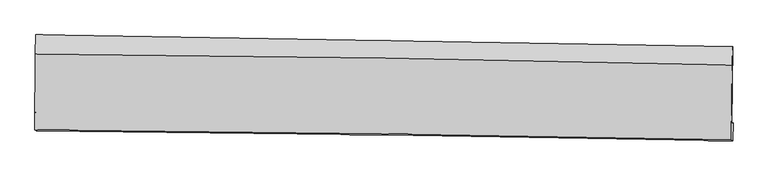
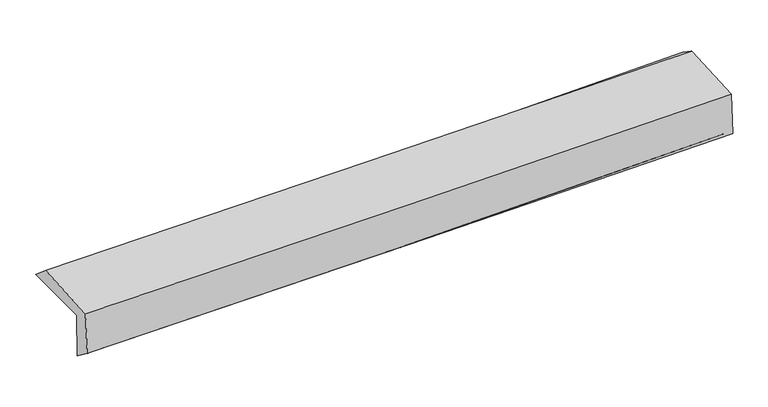
"""IFC4 building model written with IfcOpenShell, lengths in millimetres: proxy geometry."""

from ifc_helpers import new_model, si_unit, frame, origin, place, context, project, spatial, source, transform, mapped, element, save
from ifc_brep_helpers import plane_surface, spline_curve, spline_surface, advanced_brep


def generic_models_61ebcd79(model_context):
    return source(origin(), model_context, "Body", "AdvancedBrep", [
        advanced_brep(
        [(-3016.2462024, -1750.4815622, 1975.2451222), (-3011.7362421, -1080.37777, 1973.8734113), (3003.5569214, -1183.7661711, 2137.3470066), (2995.8762583, -1848.5578261, 2118.005581), (-3006.1315163, -1744.9687128, 1564.2725951), (3005.61487, -1843.2499501, 1722.3134308), (-3010.4071179, -1911.8389521, 1693.17332), (3001.1519973, -1999.4182075, 1826.5184873), (-3019.941267, -1902.9214029, 2084.4026902), (2991.712975, -1990.5165649, 2217.0847382), (-3016.3294182, -1248.3190189, 2115.4329872), (2998.9244583, -1340.9782786, 2247.9654239)],
        [
            (0, 1),
            (1, 2, spline_curve(3, [(-3011.7362421, -1080.37777, 1973.8734113), (-2009.313435116, -1095.800548318, 1980.919440069), (-1007.12031728, -1112.122078468, 1998.051399954), (997.977941577, -1146.582776448, 2052.519001413), (2000.88254451, -1164.724046345, 2089.878240294), (3003.5569214, -1183.7661711, 2137.3470066)], [4, 2, 4], [0.0, 9.864622311604577, 19.740777400924777])),
            (2, 3),
            (3, 0, spline_curve(3, [(2995.8762583, -1848.5578261, 2118.005581), (1994.024177325, -1828.643309292, 2067.111642303), (991.795015926, -1810.509293764, 2029.768929765), (-1012.246684281, -1777.821361683, 1982.213740496), (-2014.058343427, -1763.263289461, 1971.96963322), (-3016.2462024, -1750.4815622, 1975.2451222)], [4, 2, 4], [0.0, 9.8761550893202, 19.740777400924777])),
            (4, 0),
            (3, 5),
            (5, 4, spline_curve(3, [(3005.61487, -1843.2499501, 1722.3134308), (2003.617596287, -1823.414568388, 1677.318860673), (1001.347256906, -1805.302996118, 1641.649256373), (-1002.56884224, -1772.546607322, 1588.990743505), (-2004.213965329, -1757.897766992, 1571.980068909), (-3006.1315163, -1744.9687128, 1564.2725951)], [4, 2, 4], [0.0, 9.873019720092923, 19.734510323765136])),
            (6, 4),
            (5, 7),
            (7, 6, spline_curve(3, [(3001.1519973, -1999.4182075, 1826.5184873), (1999.028475017, -1978.262959345, 1793.958241853), (996.71067293, -1960.384713499, 1766.56254509), (-1007.142819238, -1931.199277352, 1722.126210902), (-2008.678054994, -1919.884438101, 1705.073517998), (-3010.4071179, -1911.8389521, 1693.17332)], [4, 2, 4], [0.0, 9.871759388355692, 19.731991132029993])),
            (8, 6),
            (7, 9),
            (9, 8, spline_curve(3, [(2991.712975, -1990.5165649, 2217.0847382), (1989.571308926, -1969.358701224, 2184.630799938), (987.236503632, -1951.477821466, 2157.343550202), (-1016.648694618, -1922.287082682, 2113.128260853), (-2018.198636476, -1910.969575384, 2096.188160858), (-3019.941267, -1902.9214029, 2084.4026902)], [4, 2, 4], [0.0, 9.870999390975895, 19.73047202474946])),
            (10, 8),
            (9, 11),
            (11, 10, spline_curve(3, [(2998.9244583, -1340.9782786, 2247.9654239), (1996.089822024, -1317.296021277, 2215.613468147), (993.108414068, -1297.73118038, 2188.389662781), (-1011.976554335, -1266.85437119, 2144.224153391), (-2014.079771415, -1255.532792023, 2127.270480113), (-3016.3294182, -1248.3190189, 2115.4329872)], [4, 2, 4], [0.0, 9.8740568971923, 19.736583466811084])),
            (1, 10),
            (11, 2),
        ],
        [
            spline_surface(3, 3, [[(-3016.2462024, -1750.4815622, 1975.2451222), (-2014.058343299, -1763.263289325, 1971.96963312), (-1012.246684358, -1777.82136169, 1982.213740393), (991.795016003, -1810.509293757, 2029.768929868), (1994.024177338, -1828.643309367, 2067.111642185), (2995.8762583, -1848.5578261, 2118.005581)], [(-3014.742882319, -1527.11363149, 1974.787885233), (-2012.476707252, -1540.775708965, 1974.95290214), (-1010.537895251, -1555.921600665, 1987.492960227), (993.85599117, -1589.200454599, 2037.352287084), (1996.310299762, -1607.336888343, 2074.700508195), (2998.436479334, -1626.960607796, 2124.452722856)], [(-3013.239562181, -1303.74570071, 1974.330648267), (-2010.895071147, -1318.288128535, 1977.936171162), (-1008.829106229, -1334.021839648, 1992.772180039), (995.916966251, -1367.89161545, 2044.935644279), (1998.596422186, -1386.030467231, 2082.289374237), (3000.996700366, -1405.363389404, 2130.899864744)], [(-3011.7362421, -1080.37777, 1973.8734113), (-2009.3134351, -1095.800548174, 1980.919440182), (-1007.120317121, -1112.122078624, 1998.051399873), (997.977941419, -1146.582776292, 2052.519001495), (2000.88254461, -1164.724046206, 2089.878240247), (3003.5569214, -1183.7661711, 2137.3470066)]], [4, 4], [4, 2, 4], [0.0, 2.18213889556828], [0.0, 9.864622311604577, 19.740777400924777]),
            spline_surface(3, 3, [[(-3006.1315163, -1744.9687128, 1564.2725951), (-2004.213965349, -1757.897767098, 1571.980069073), (-1002.568842402, -1772.546607299, 1588.990743436), (1001.347257069, -1805.302996141, 1641.649256442), (2003.617596213, -1823.414568415, 1677.318860669), (3005.61487, -1843.2499501, 1722.3134308)], [(-3009.503078322, -1746.80632924, 1701.263437467), (-2007.495424655, -1759.686274481, 1705.309923756), (-1005.794789723, -1774.304858755, 1720.065075768), (998.163176711, -1807.038428671, 1771.02248093), (2000.419789906, -1825.157482056, 1807.249787859), (3002.368666085, -1845.019242091, 1854.210814218)], [(-3012.874640378, -1748.64394576, 1838.254279833), (-2010.776883993, -1761.474781943, 1838.639778437), (-1009.020737037, -1776.063110235, 1851.139408061), (994.979096361, -1808.773861226, 1900.39570538), (1997.221983644, -1826.900395726, 1937.180714996), (2999.122462215, -1846.788534109, 1986.108197582)], [(-3016.2462024, -1750.4815622, 1975.2451222), (-2014.058343299, -1763.263289325, 1971.96963312), (-1012.246684358, -1777.82136169, 1982.213740393), (991.795016003, -1810.509293757, 2029.768929868), (1994.024177338, -1828.643309367, 2067.111642185), (2995.8762583, -1848.5578261, 2118.005581)]], [4, 4], [4, 2, 4], [0.0, 1.2822237406908943], [0.0, 9.861490603672213, 19.734510323765136]),
            spline_surface(3, 3, [[(-3010.4071179, -1911.8389521, 1693.17332), (-2008.678055145, -1919.884437938, 1705.073518154), (-1007.142819098, -1931.199277304, 1722.126210786), (996.710672789, -1960.384713547, 1766.562545205), (1999.028475113, -1978.26295929, 1793.958241725), (3001.1519973, -1999.4182075, 1826.5184873)], [(-3008.981917368, -1856.215539027, 1650.206411696), (-2007.190025214, -1865.888881018, 1660.709035123), (-1005.618160217, -1878.315053995, 1677.74772165), (998.256200864, -1908.690807771, 1724.924782265), (2000.558182135, -1926.646828991, 1755.07844805), (3002.639621522, -1947.362121693, 1791.783468477)], [(-3007.556716832, -1800.592125873, 1607.239503404), (-2005.70199528, -1811.893324018, 1616.344552104), (-1004.093501283, -1825.430830608, 1633.369232572), (999.801728993, -1856.996901917, 1683.287019383), (2002.087889191, -1875.030698713, 1716.198654344), (3004.127245778, -1895.306035907, 1757.048449623)], [(-3006.1315163, -1744.9687128, 1564.2725951), (-2004.213965349, -1757.897767098, 1571.980069073), (-1002.568842402, -1772.546607299, 1588.990743436), (1001.347257069, -1805.302996141, 1641.649256442), (2003.617596213, -1823.414568415, 1677.318860669), (3005.61487, -1843.2499501, 1722.3134308)]], [4, 4], [4, 2, 4], [0.0, 0.666534910755761], [0.0, 9.860231743674301, 19.731991132029993]),
            spline_surface(3, 3, [[(-3019.941267, -1902.9214029, 2084.4026902), (-2018.198636469, -1910.969575366, 2096.188160743), (-1016.64869456, -1922.287082845, 2113.128260696), (987.236503574, -1951.477821303, 2157.343550359), (1989.571309016, -1969.35870119, 2184.630799781), (2991.712975, -1990.5165649, 2217.0847382)], [(-3016.76321731, -1905.893919278, 1953.992900128), (-2015.025109371, -1913.941196202, 1965.816613209), (-1013.480069402, -1925.257814317, 1982.794244065), (990.394559983, -1954.446785369, 2027.083215313), (1992.723697727, -1972.326787231, 2054.406613752), (2994.859315779, -1993.483779108, 2086.89598789)], [(-3013.58516759, -1908.866435722, 1823.583110072), (-2011.851582243, -1916.912817102, 1835.445065689), (-1010.311444256, -1928.228545832, 1852.460227418), (993.55261638, -1957.41574948, 1896.822880251), (1995.876086401, -1975.294873249, 1924.182427754), (2998.005656521, -1996.450993292, 1956.70723761)], [(-3010.4071179, -1911.8389521, 1693.17332), (-2008.678055145, -1919.884437938, 1705.073518154), (-1007.142819098, -1931.199277304, 1722.126210786), (996.710672789, -1960.384713547, 1766.562545205), (1999.028475113, -1978.26295929, 1793.958241725), (3001.1519973, -1999.4182075, 1826.5184873)]], [4, 4], [4, 2, 4], [0.0, 1.2831629718526678], [0.0, 9.859472633773565, 19.73047202474946]),
            spline_surface(3, 3, [[(-3016.3294182, -1248.3190189, 2115.4329872), (-2014.079771408, -1255.532791934, 2127.270480205), (-1011.976554173, -1266.854371098, 2144.224153481), (993.108413906, -1297.731180471, 2188.389662692), (1996.089822179, -1317.296021208, 2215.613468303), (2998.9244583, -1340.9782786, 2247.9654239)], [(-3017.533367789, -1466.519813585, 2105.089554895), (-2015.452726417, -1474.011719763, 2116.909707079), (-1013.533934312, -1485.331941674, 2133.858855892), (991.151110453, -1515.646727409, 2178.040958588), (1993.916984464, -1534.65024787, 2205.28591213), (2996.520630539, -1557.491040701, 2237.671862001)], [(-3018.737317411, -1684.720608215, 2094.746122505), (-2016.82568146, -1692.490647537, 2106.548933869), (-1015.091314422, -1703.809512269, 2123.493558285), (989.193807028, -1733.562274365, 2167.692254464), (1991.744146731, -1752.004474528, 2194.958355954), (2994.116802761, -1774.003802799, 2227.378300099)], [(-3019.941267, -1902.9214029, 2084.4026902), (-2018.198636469, -1910.969575366, 2096.188160743), (-1016.64869456, -1922.287082845, 2113.128260696), (987.236503574, -1951.477821303, 2157.343550359), (1989.571309016, -1969.35870119, 2184.630799781), (2991.712975, -1990.5165649, 2217.0847382)]], [4, 4], [4, 2, 4], [0.0, 2.150088257793409], [0.0, 9.862526569618783, 19.736583466811084]),
            spline_surface(3, 3, [[(-3011.7362421, -1080.37777, 1973.8734113), (-2009.3134351, -1095.800548174, 1980.919440182), (-1007.120317121, -1112.122078624, 1998.051399873), (997.977941419, -1146.582776292, 2052.519001495), (2000.88254461, -1164.724046206, 2089.878240247), (3003.5569214, -1183.7661711, 2137.3470066)], [(-3013.267300791, -1136.35818628, 2021.05993658), (-2010.90221386, -1149.044629408, 2029.70312017), (-1008.739062808, -1163.699509454, 2046.775651063), (996.354765578, -1196.965577691, 2097.809221882), (1999.284970473, -1215.581371185, 2131.789982924), (3002.01276704, -1236.170206911, 2174.219812359)], [(-3014.798359509, -1192.33860262, 2068.24646192), (-2012.490992647, -1202.288710701, 2078.486800217), (-1010.357808487, -1215.276940267, 2095.49990229), (994.731589746, -1247.348379072, 2143.099442305), (1997.687396316, -1266.438696229, 2173.701725626), (3000.46861266, -1288.574242789, 2211.092618141)], [(-3016.3294182, -1248.3190189, 2115.4329872), (-2014.079771408, -1255.532791934, 2127.270480205), (-1011.976554173, -1266.854371098, 2144.224153481), (993.108413906, -1297.731180471, 2188.389662692), (1996.089822179, -1317.296021208, 2215.613468303), (2998.9244583, -1340.9782786, 2247.9654239)]], [4, 4], [4, 2, 4], [0.0, 0.6826921051475545], [0.0, 9.866417356723085, 19.74436958975773]),
            plane_surface(frame((2999.4729134, -1701.0811664, 2044.8724446), z_axis=(0.9996261681607882, -0.01226016617512022, 0.02443792653926298), x_axis=(0.024154208175819113, -0.02277906771646426, -0.9994486921805281))),
            plane_surface(frame((-3013.465294, -1606.4845698, 1901.0666877), z_axis=(-0.9996771811423465, 0.006677888091704103, -0.024514063594740707), x_axis=(-0.00673007481585998, -0.9999752577137928, 0.002046961945594675))),
        ],
        [
            (0, [[1, 2, 3, 4]]),
            (1, [[5, -4, 6, 7]]),
            (2, [[8, -7, 9, 10]]),
            (3, [[11, -10, 12, 13]]),
            (4, [[14, -13, 15, 16]]),
            (5, [[17, -16, 18, -2]]),
            (6, [[-12, -9, -6, -3, -18, -15]]),
            (7, [[-1, -5, -8, -11, -14, -17]]),
        ],
    ),
    ])


if __name__ == "__main__":
    model = new_model("IFC4")
    model_context = context("Model", 3, world=origin())
    ifc_project = project(units=[si_unit("LENGTHUNIT", "METRE", prefix="MILLI")], contexts=[model_context])
    site = spatial("IfcSite", under=ifc_project)
    building = spatial("IfcBuilding", under=site)
    placement = place(None, origin())
    generic_models_shape = generic_models_61ebcd79(model_context)
    element("IfcBuildingElementProxy", 1, Name="Generic Models", at=placement, inside=building, context=model_context, shape_type="MappedRepresentation", body=[
        mapped(generic_models_shape, transform((0.0, 0.0, 0.0), x_axis=(1.0, 0.0, 0.0), y_axis=(0.0, 1.0, 0.0), z_axis=(0.0, 0.0, 1.0))),
    ])
    save(model, "model.ifc")
